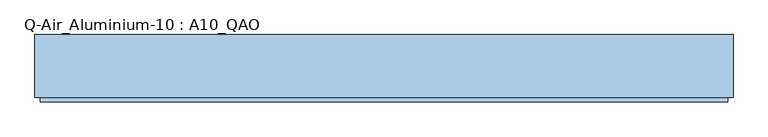
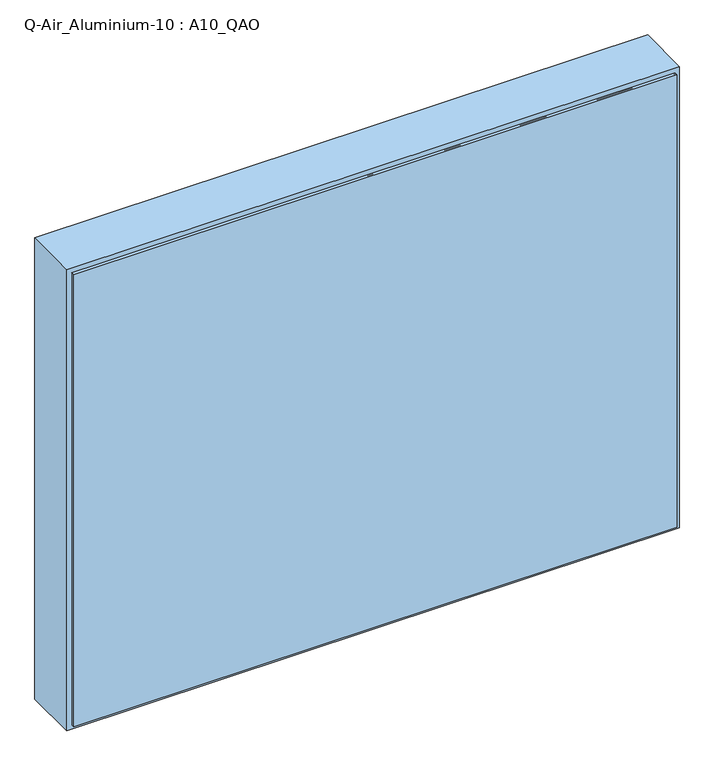
"""IFC4 building model written with IfcOpenShell, lengths in millimetres: window geometry, Q-Air_Aluminium-10 : A10_QAO."""

from ifc_helpers import new_model, si_unit, frame, origin, place, context, project, spatial, polyline, outline, extrude, source, transform, mapped, element, save


def q_air_aluminium_10_a10_qao_e5b497ca(model_context):
    return source(origin(), model_context, "Body", "SweptSolid", [
        extrude(outline(polyline([(1010.0, 635.0), (1010.0, -635.0), (0.0, -635.0), (0.0, 635.0), (1010.0, 635.0)]), holes=[polyline([(952.0, 577.0), (58.0, 577.0), (58.0, -577.0), (952.0, -577.0), (952.0, 577.0)])]), frame((0.0, -114.5, 0.0), z_axis=(0.0, 1.0, 0.0), x_axis=(0.0, 0.0, 1.0)), (0.0, 0.0, 1.0), 114.5),
        extrude(outline(polyline([(577.0, 0.0), (577.0, -12.5), (-577.0, -12.5), (-577.0, 0.0), (577.0, 0.0)])), frame((0.0, 0.0, 58.0), z_axis=(0.0, 0.0, 1.0), x_axis=(1.0, 0.0, 0.0)), (0.0, 0.0, 1.0), 894.0),
        extrude(outline(polyline([(625.0, -114.5), (625.0, -122.5), (-625.0, -122.5), (-625.0, -114.5), (625.0, -114.5)])), frame((0.0, 0.0, 10.0), z_axis=(0.0, 0.0, 1.0), x_axis=(1.0, 0.0, 0.0)), (0.0, 0.0, 1.0), 990.0),
        extrude(outline(polyline([(1000.0, 625.0), (1000.0, -625.0), (10.0, -625.0), (10.0, 625.0), (1000.0, 625.0)]), holes=[polyline([(952.0, 577.0), (58.0, 577.0), (58.0, -577.0), (952.0, -577.0), (952.0, 577.0)])]), frame((0.0, -118.5, 0.0), z_axis=(0.0, 1.0, 0.0), x_axis=(0.0, 0.0, 1.0)), (0.0, 0.0, 1.0), 4.0),
    ])


if __name__ == "__main__":
    model = new_model("IFC4")
    model_context = context("Model", 3, world=origin())
    ifc_project = project(units=[si_unit("LENGTHUNIT", "METRE", prefix="MILLI")], contexts=[model_context])
    site = spatial("IfcSite", under=ifc_project)
    building = spatial("IfcBuilding", under=site)
    placement = place(None, origin())
    q_air_aluminium_10_a10_qao_shape = q_air_aluminium_10_a10_qao_e5b497ca(model_context)
    element("IfcWindow", 1, ObjectType="Q-Air_Aluminium-10 : A10_QAO", at=placement, inside=building, context=model_context, shape_type="MappedRepresentation", body=[
        mapped(q_air_aluminium_10_a10_qao_shape, transform((0.0, 0.0, 0.0), x_axis=(1.0, 0.0, 0.0), y_axis=(0.0, 1.0, 0.0), z_axis=(0.0, 0.0, 1.0))),
    ])
    save(model, "model.ifc")
